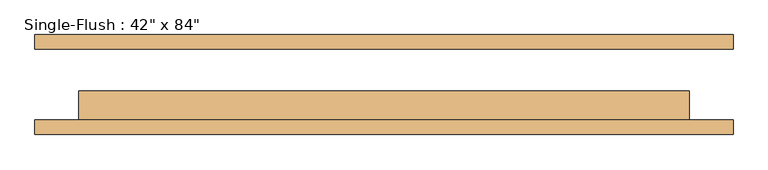
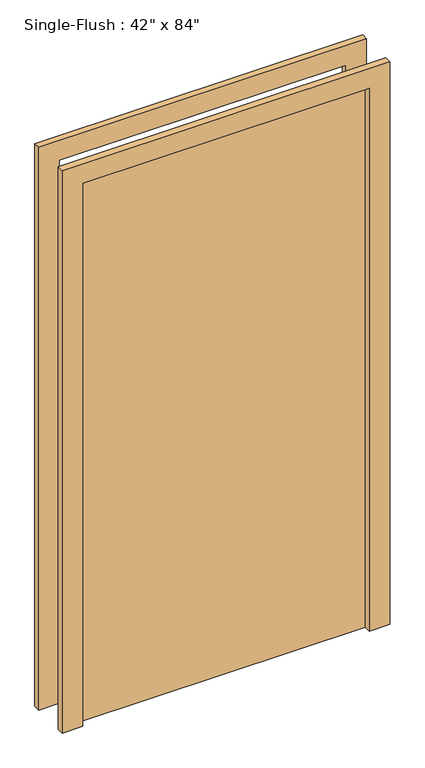
"""IFC4 building model written with IfcOpenShell, lengths in millimetres: door geometry."""

from ifc_helpers import new_model, si_unit, frame, origin, origin_with_axes, place, context, project, spatial, polyline, outline, extrude, source, transform, mapped, element, save


def door_8230ac15(model_context):
    return source(origin(), model_context, "Body", "SweptSolid", [
        extrude(outline(polyline([(2209.8, -609.6), (0.0, -609.6), (0.0, -533.4), (2133.6, -533.4), (2133.6, 533.4), (0.0, 533.4), (0.0, 609.6), (2209.8, 609.6), (2209.8, -609.6)])), frame((0.0, -87.3125, 0.0), z_axis=(0.0, 1.0, 0.0), x_axis=(0.0, 0.0, 1.0)), (0.0, 0.0, 1.0), 25.4),
        extrude(outline(polyline([(2209.8, 609.6), (2209.8, -609.6), (0.0, -609.6), (0.0, -533.4), (2133.6, -533.4), (2133.6, 533.4), (0.0, 533.4), (0.0, 609.6), (2209.8, 609.6)])), frame((0.0, 61.9125, 0.0), z_axis=(0.0, 1.0, 0.0), x_axis=(0.0, 0.0, 1.0)), (0.0, 0.0, 1.0), 25.4),
        extrude(outline(polyline([(533.4, -11.1125), (533.4, -61.9125), (-533.4, -61.9125), (-533.4, -11.1125), (533.4, -11.1125)])), origin_with_axes(), (0.0, 0.0, 1.0), 2133.6),
    ])


if __name__ == "__main__":
    model = new_model("IFC4")
    model_context = context("Model", 3, world=origin())
    ifc_project = project(units=[si_unit("LENGTHUNIT", "METRE", prefix="MILLI")], contexts=[model_context])
    site = spatial("IfcSite", under=ifc_project)
    building = spatial("IfcBuilding", under=site)
    placement = place(None, origin())
    door_shape = door_8230ac15(model_context)
    element("IfcDoor", 1, ObjectType="Single-Flush : 42\" x 84\"", at=placement, inside=building, context=model_context, shape_type="MappedRepresentation", body=[
        mapped(door_shape, transform((0.0, 0.0, 0.0), x_axis=(1.0, 0.0, 0.0), y_axis=(0.0, 1.0, 0.0), z_axis=(0.0, 0.0, 1.0))),
    ])
    save(model, "model.ifc")
